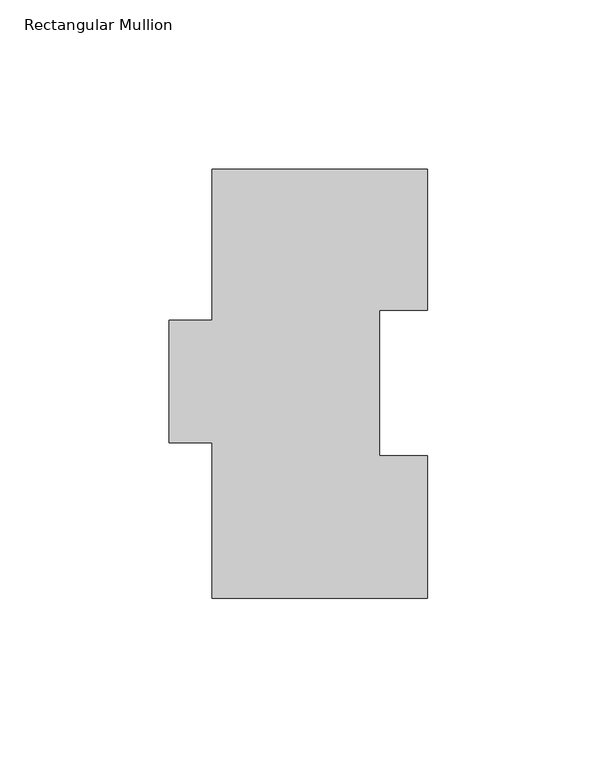
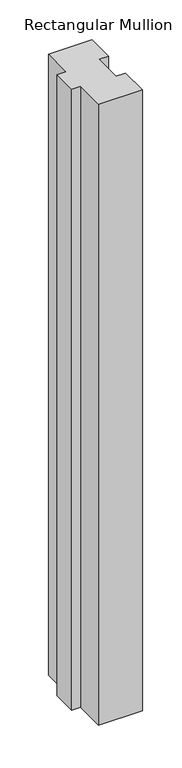
"""IFC4 building model written with IfcOpenShell, lengths in millimetres: member geometry, Rectangular Mullion."""

import ifcopenshell
import ifcopenshell.guid

model = None  # the IFC model being written
_history = None  # IfcOwnerHistory: only IFC2X3 demands one
_inside = {}  # id of a spatial element -> (the spatial element, [elements in it])
_under = {}  # id of a project, library or spatial element -> (it, [spatial elements below it])
_declared = {}  # id of a project -> (the project, [libraries it declares])
_typed = {}  # id of a type object -> (the type object, [elements of that type])
_made_of = {}  # id of a material, layer set ... -> (it, [elements and type objects made of it])


def new_model(schema):
    """Start an empty IFC model of exactly this schema.

    Asked for "IFC4X3", IfcOpenShell would pick the latest addendum, in which some entities
    have other attributes; the version numbers below select the first issue.
    IFC2X3 requires an IfcOwnerHistory on every rooted entity: one is made here for all.
    """
    global model, _history
    if schema == "IFC4X3":
        model = ifcopenshell.file(schema_version=(4, 3, 0, 0))
    else:
        model = ifcopenshell.file(schema=schema)
    _inside.clear()
    _under.clear()
    _declared.clear()
    _typed.clear()
    _made_of.clear()
    _history = None
    if model.schema == "IFC2X3":
        org = make("IfcOrganization", Name="unknown")
        user = make(
            "IfcPersonAndOrganization",
            ThePerson=make("IfcPerson", FamilyName="unknown"),
            TheOrganization=org,
        )
        app = make(
            "IfcApplication",
            ApplicationDeveloper=org,
            Version="unknown",
            ApplicationFullName="unknown",
            ApplicationIdentifier="unknown",
        )
        _history = make(
            "IfcOwnerHistory",
            OwningUser=user,
            OwningApplication=app,
            ChangeAction="ADDED",
            CreationDate=0,
        )
    return model


def make(cls, **values):
    """One entity of the class cls with the attributes given. An attribute that is None is left unset."""
    return model.create_entity(
        cls, **{name: value for name, value in values.items() if value is not None}
    )


def rooted(cls, **values):
    """An entity with a GlobalId (a new one), such as an element, a storey or a relation."""
    return make(cls, GlobalId=ifcopenshell.guid.new(), OwnerHistory=_history, **values)


def si_unit(unit_type, name, prefix=None):
    """IfcSIUnit, for example si_unit("LENGTHUNIT", "METRE", prefix="MILLI")."""
    return make("IfcSIUnit", UnitType=unit_type, Prefix=prefix, Name=name)


def assignment(units):
    """IfcUnitAssignment: the units of a project."""
    return None if units is None else make("IfcUnitAssignment", Units=units)


def point(xyz):
    """IfcCartesianPoint."""
    return None if xyz is None else make("IfcCartesianPoint", Coordinates=xyz)


def direction(xyz):
    """IfcDirection."""
    return None if xyz is None else make("IfcDirection", DirectionRatios=xyz)


def frame(location, z_axis=None, x_axis=None):
    """IfcAxis2Placement3D, a coordinate frame: its origin and axes. An axis left out is left unset."""
    return make(
        "IfcAxis2Placement3D",
        Location=point(location),
        Axis=direction(z_axis),
        RefDirection=direction(x_axis),
    )


def origin():
    """The frame at (0, 0, 0) with its axes left unset."""
    return frame((0.0, 0.0, 0.0))


def place(relative_to, where):
    """IfcLocalPlacement: puts the frame where relative to a parent placement (None: the world)."""
    return make(
        "IfcLocalPlacement", PlacementRelTo=relative_to, RelativePlacement=where
    )


def context(
    kind, dimensions, precision=None, world=None, true_north=None, identifier=None
):
    """IfcGeometricRepresentationContext, for example the 3D "Model" context."""
    return make(
        "IfcGeometricRepresentationContext",
        ContextIdentifier=identifier,
        ContextType=kind,
        CoordinateSpaceDimension=dimensions,
        Precision=precision,
        WorldCoordinateSystem=world,
        TrueNorth=true_north,
    )


def project(units=None, contexts=None):
    """IfcProject with its units and contexts."""
    return rooted(
        "IfcProject",
        Name="project",
        RepresentationContexts=contexts,
        UnitsInContext=assignment(units),
    )


def spatial(cls, under=None, at=None, **own):
    """A site, building, storey or space (cls), placed at a placement, below another one or the project."""
    s = rooted(cls, ObjectPlacement=at, **own)
    if under is not None:
        _under.setdefault(under.id(), (under, []))[1].append(s)
    return s


def polyline(points):
    """IfcPolyline through the points."""
    return make("IfcPolyline", Points=[point(p) for p in points])


def outline(outer, holes=None, kind="AREA"):
    """IfcArbitraryClosedProfileDef: a profile drawn as a closed curve; with holes, ...WithVoids."""
    if holes is None:
        return make("IfcArbitraryClosedProfileDef", ProfileType=kind, OuterCurve=outer)
    return make(
        "IfcArbitraryProfileDefWithVoids",
        ProfileType=kind,
        OuterCurve=outer,
        InnerCurves=holes,
    )


def extrude(swept, where, along, depth):
    """IfcExtrudedAreaSolid: the profile swept, set in the frame where, extruded along a direction by depth."""
    return make(
        "IfcExtrudedAreaSolid",
        SweptArea=swept,
        Position=where,
        ExtrudedDirection=direction(along),
        Depth=depth,
    )


def shape(context_of_items, identifier, shape_type, items):
    """IfcShapeRepresentation: the items that make up one representation, for example the "Body"."""
    return make(
        "IfcShapeRepresentation",
        ContextOfItems=context_of_items,
        RepresentationIdentifier=identifier,
        RepresentationType=shape_type,
        Items=items,
    )


def source(mapping_origin, context_of_items, identifier, shape_type, items):
    """IfcRepresentationMap: a shape defined once, which mapped items show again and again."""
    return make(
        "IfcRepresentationMap",
        MappingOrigin=mapping_origin,
        MappedRepresentation=shape(context_of_items, identifier, shape_type, items),
    )


def transform(
    local_origin,
    x_axis=None,
    y_axis=None,
    z_axis=None,
    scale=None,
    scale2=None,
    scale3=None,
    uniform=True,
):
    """IfcCartesianTransformationOperator3D, or its non-uniform kind. x_axis, y_axis, z_axis: its Axis1, 2, 3."""
    if uniform:
        return make(
            "IfcCartesianTransformationOperator3D",
            Axis1=direction(x_axis),
            Axis2=direction(y_axis),
            LocalOrigin=point(local_origin),
            Scale=scale,
            Axis3=direction(z_axis),
        )
    return make(
        "IfcCartesianTransformationOperator3DnonUniform",
        Axis1=direction(x_axis),
        Axis2=direction(y_axis),
        LocalOrigin=point(local_origin),
        Scale=scale,
        Axis3=direction(z_axis),
        Scale2=scale2,
        Scale3=scale3,
    )


def mapped(mapping_source, mapping_target):
    """IfcMappedItem: shows the shape of a source again, moved by a transform."""
    return make(
        "IfcMappedItem", MappingSource=mapping_source, MappingTarget=mapping_target
    )


def made_of(thing, what):
    """Note that an element or type object is made of a material, layer set ...; save() writes the relation."""
    if what is not None:
        _made_of.setdefault(what.id(), (what, []))[1].append(thing)
    return thing


def element(
    cls,
    number,
    at=None,
    inside=None,
    cuts=None,
    type_object=None,
    material=None,
    context=None,
    identifier="Body",
    shape_type=None,
    held_by="IfcProductDefinitionShape",
    body=None,
    shapes=None,
    **own,
):
    """One element of the class cls, such as IfcWall. Its Tag is "e" and its number.

    at: its placement. inside: the storey or other place that contains it. cuts: it is an
    opening in that element (IfcRelVoidsElement). A single representation is given by context,
    identifier, shape_type and body (its items); several are given by shapes. held_by: the class
    of the entity that holds the representations. save() writes the other relations.
    """
    e = rooted(cls, Tag="e%d" % number, ObjectPlacement=at, **own)
    if body is not None:
        shapes = [shape(context, identifier, shape_type, body)]
    if shapes is not None:
        e.Representation = make(held_by, Representations=shapes)
    if inside is not None:
        _inside.setdefault(inside.id(), (inside, []))[1].append(e)
    if cuts is not None:
        rooted(
            "IfcRelVoidsElement", RelatingBuildingElement=cuts, RelatedOpeningElement=e
        )
    if type_object is not None:
        _typed.setdefault(type_object.id(), (type_object, []))[1].append(e)
    return made_of(e, material)


def aggregate(whole, parts):
    """IfcRelAggregates: a whole, such as a stair, and the parts it consists of."""
    return rooted("IfcRelAggregates", RelatingObject=whole, RelatedObjects=parts)


def save(model, path):
    """Write the relations noted so far, then the file.

    IfcRelAggregates (storeys below a building ...), IfcRelContainedInSpatialStructure (elements
    in a storey), IfcRelDefinesByType, IfcRelAssociatesMaterial and IfcRelDeclares: one each for
    every whole, place, type object, material and project.
    """
    for whole, parts in _under.values():
        aggregate(whole, parts)
    for where, things in _inside.values():
        rooted(
            "IfcRelContainedInSpatialStructure",
            RelatedElements=things,
            RelatingStructure=where,
        )
    for kind, things in _typed.values():
        rooted("IfcRelDefinesByType", RelatedObjects=things, RelatingType=kind)
    for what, things in _made_of.values():
        rooted("IfcRelAssociatesMaterial", RelatedObjects=things, RelatingMaterial=what)
    for by, libraries in _declared.values():
        rooted("IfcRelDeclares", RelatingContext=by, RelatedDefinitions=libraries)
    model.write(path)


def rectangular_mullion_418863be(model_context):
    return source(origin(), model_context, "Body", "SweptSolid", [
        extrude(outline(polyline([(0.0, 126.7348875), (0.0, 85.1296875), (-14.1590561, 85.1296875), (-14.1590561, 42.2798875), (0.0, 42.2798875), (0.0, 0.2428875), (-63.5, 0.2428875), (-63.5, 46.0263875), (-76.2, 46.0263875), (-76.2, 82.2848875), (-63.5, 82.2848875), (-63.5, 126.7348875), (0.0, 126.7348875)])), frame((0.0, 0.0, -952.5), z_axis=(0.0, 0.0, 1.0), x_axis=(1.0, 0.0, 0.0)), (0.0, 0.0, 1.0), 952.5),
    ])


if __name__ == "__main__":
    model = new_model("IFC4")
    model_context = context("Model", 3, world=origin())
    ifc_project = project(units=[si_unit("LENGTHUNIT", "METRE", prefix="MILLI")], contexts=[model_context])
    site = spatial("IfcSite", under=ifc_project)
    building = spatial("IfcBuilding", under=site)
    placement = place(None, origin())
    rectangular_mullion_shape = rectangular_mullion_418863be(model_context)
    element("IfcMember", 1, ObjectType="Rectangular Mullion", at=placement, inside=building, context=model_context, shape_type="MappedRepresentation", body=[
        mapped(rectangular_mullion_shape, transform((0.0, 0.0, 0.0), x_axis=(1.0, 0.0, 0.0), y_axis=(0.0, 1.0, 0.0), z_axis=(0.0, 0.0, 1.0))),
    ])
    save(model, "model.ifc")
